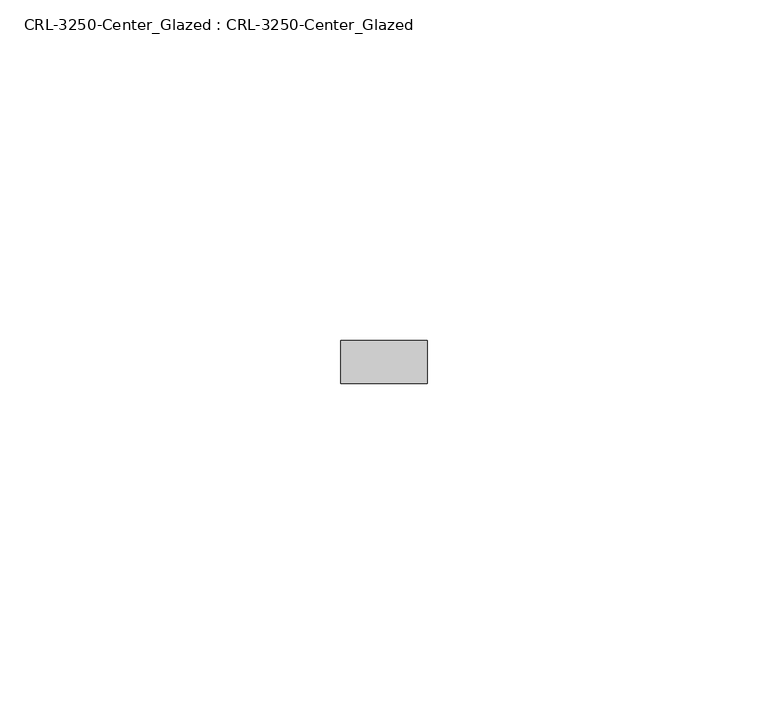
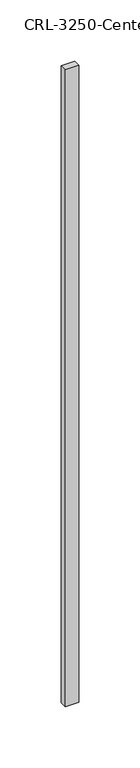
"""IFC4 building model written with IfcOpenShell, lengths in millimetres: plate geometry, CRL-3250-Center_Glazed : CRL-3250-Center_Glazed."""

import ifcopenshell
import ifcopenshell.guid

model = None  # the IFC model being written
_history = None  # IfcOwnerHistory: only IFC2X3 demands one
_inside = {}  # id of a spatial element -> (the spatial element, [elements in it])
_under = {}  # id of a project, library or spatial element -> (it, [spatial elements below it])
_declared = {}  # id of a project -> (the project, [libraries it declares])
_typed = {}  # id of a type object -> (the type object, [elements of that type])
_made_of = {}  # id of a material, layer set ... -> (it, [elements and type objects made of it])


def new_model(schema):
    """Start an empty IFC model of exactly this schema.

    Asked for "IFC4X3", IfcOpenShell would pick the latest addendum, in which some entities
    have other attributes; the version numbers below select the first issue.
    IFC2X3 requires an IfcOwnerHistory on every rooted entity: one is made here for all.
    """
    global model, _history
    if schema == "IFC4X3":
        model = ifcopenshell.file(schema_version=(4, 3, 0, 0))
    else:
        model = ifcopenshell.file(schema=schema)
    _inside.clear()
    _under.clear()
    _declared.clear()
    _typed.clear()
    _made_of.clear()
    _history = None
    if model.schema == "IFC2X3":
        org = make("IfcOrganization", Name="unknown")
        user = make(
            "IfcPersonAndOrganization",
            ThePerson=make("IfcPerson", FamilyName="unknown"),
            TheOrganization=org,
        )
        app = make(
            "IfcApplication",
            ApplicationDeveloper=org,
            Version="unknown",
            ApplicationFullName="unknown",
            ApplicationIdentifier="unknown",
        )
        _history = make(
            "IfcOwnerHistory",
            OwningUser=user,
            OwningApplication=app,
            ChangeAction="ADDED",
            CreationDate=0,
        )
    return model


def make(cls, **values):
    """One entity of the class cls with the attributes given. An attribute that is None is left unset."""
    return model.create_entity(
        cls, **{name: value for name, value in values.items() if value is not None}
    )


def rooted(cls, **values):
    """An entity with a GlobalId (a new one), such as an element, a storey or a relation."""
    return make(cls, GlobalId=ifcopenshell.guid.new(), OwnerHistory=_history, **values)


def si_unit(unit_type, name, prefix=None):
    """IfcSIUnit, for example si_unit("LENGTHUNIT", "METRE", prefix="MILLI")."""
    return make("IfcSIUnit", UnitType=unit_type, Prefix=prefix, Name=name)


def assignment(units):
    """IfcUnitAssignment: the units of a project."""
    return None if units is None else make("IfcUnitAssignment", Units=units)


def point(xyz):
    """IfcCartesianPoint."""
    return None if xyz is None else make("IfcCartesianPoint", Coordinates=xyz)


def direction(xyz):
    """IfcDirection."""
    return None if xyz is None else make("IfcDirection", DirectionRatios=xyz)


def frame(location, z_axis=None, x_axis=None):
    """IfcAxis2Placement3D, a coordinate frame: its origin and axes. An axis left out is left unset."""
    return make(
        "IfcAxis2Placement3D",
        Location=point(location),
        Axis=direction(z_axis),
        RefDirection=direction(x_axis),
    )


def origin():
    """The frame at (0, 0, 0) with its axes left unset."""
    return frame((0.0, 0.0, 0.0))


def origin_with_axes():
    """The frame at (0, 0, 0) with the z axis (0, 0, 1) and the x axis (1, 0, 0) written out."""
    return frame((0.0, 0.0, 0.0), z_axis=(0.0, 0.0, 1.0), x_axis=(1.0, 0.0, 0.0))


def place(relative_to, where):
    """IfcLocalPlacement: puts the frame where relative to a parent placement (None: the world)."""
    return make(
        "IfcLocalPlacement", PlacementRelTo=relative_to, RelativePlacement=where
    )


def context(
    kind, dimensions, precision=None, world=None, true_north=None, identifier=None
):
    """IfcGeometricRepresentationContext, for example the 3D "Model" context."""
    return make(
        "IfcGeometricRepresentationContext",
        ContextIdentifier=identifier,
        ContextType=kind,
        CoordinateSpaceDimension=dimensions,
        Precision=precision,
        WorldCoordinateSystem=world,
        TrueNorth=true_north,
    )


def project(units=None, contexts=None):
    """IfcProject with its units and contexts."""
    return rooted(
        "IfcProject",
        Name="project",
        RepresentationContexts=contexts,
        UnitsInContext=assignment(units),
    )


def spatial(cls, under=None, at=None, **own):
    """A site, building, storey or space (cls), placed at a placement, below another one or the project."""
    s = rooted(cls, ObjectPlacement=at, **own)
    if under is not None:
        _under.setdefault(under.id(), (under, []))[1].append(s)
    return s


def polyline(points):
    """IfcPolyline through the points."""
    return make("IfcPolyline", Points=[point(p) for p in points])


def outline(outer, holes=None, kind="AREA"):
    """IfcArbitraryClosedProfileDef: a profile drawn as a closed curve; with holes, ...WithVoids."""
    if holes is None:
        return make("IfcArbitraryClosedProfileDef", ProfileType=kind, OuterCurve=outer)
    return make(
        "IfcArbitraryProfileDefWithVoids",
        ProfileType=kind,
        OuterCurve=outer,
        InnerCurves=holes,
    )


def extrude(swept, where, along, depth):
    """IfcExtrudedAreaSolid: the profile swept, set in the frame where, extruded along a direction by depth."""
    return make(
        "IfcExtrudedAreaSolid",
        SweptArea=swept,
        Position=where,
        ExtrudedDirection=direction(along),
        Depth=depth,
    )


def shape(context_of_items, identifier, shape_type, items):
    """IfcShapeRepresentation: the items that make up one representation, for example the "Body"."""
    return make(
        "IfcShapeRepresentation",
        ContextOfItems=context_of_items,
        RepresentationIdentifier=identifier,
        RepresentationType=shape_type,
        Items=items,
    )


def source(mapping_origin, context_of_items, identifier, shape_type, items):
    """IfcRepresentationMap: a shape defined once, which mapped items show again and again."""
    return make(
        "IfcRepresentationMap",
        MappingOrigin=mapping_origin,
        MappedRepresentation=shape(context_of_items, identifier, shape_type, items),
    )


def transform(
    local_origin,
    x_axis=None,
    y_axis=None,
    z_axis=None,
    scale=None,
    scale2=None,
    scale3=None,
    uniform=True,
):
    """IfcCartesianTransformationOperator3D, or its non-uniform kind. x_axis, y_axis, z_axis: its Axis1, 2, 3."""
    if uniform:
        return make(
            "IfcCartesianTransformationOperator3D",
            Axis1=direction(x_axis),
            Axis2=direction(y_axis),
            LocalOrigin=point(local_origin),
            Scale=scale,
            Axis3=direction(z_axis),
        )
    return make(
        "IfcCartesianTransformationOperator3DnonUniform",
        Axis1=direction(x_axis),
        Axis2=direction(y_axis),
        LocalOrigin=point(local_origin),
        Scale=scale,
        Axis3=direction(z_axis),
        Scale2=scale2,
        Scale3=scale3,
    )


def mapped(mapping_source, mapping_target):
    """IfcMappedItem: shows the shape of a source again, moved by a transform."""
    return make(
        "IfcMappedItem", MappingSource=mapping_source, MappingTarget=mapping_target
    )


def made_of(thing, what):
    """Note that an element or type object is made of a material, layer set ...; save() writes the relation."""
    if what is not None:
        _made_of.setdefault(what.id(), (what, []))[1].append(thing)
    return thing


def element(
    cls,
    number,
    at=None,
    inside=None,
    cuts=None,
    type_object=None,
    material=None,
    context=None,
    identifier="Body",
    shape_type=None,
    held_by="IfcProductDefinitionShape",
    body=None,
    shapes=None,
    **own,
):
    """One element of the class cls, such as IfcWall. Its Tag is "e" and its number.

    at: its placement. inside: the storey or other place that contains it. cuts: it is an
    opening in that element (IfcRelVoidsElement). A single representation is given by context,
    identifier, shape_type and body (its items); several are given by shapes. held_by: the class
    of the entity that holds the representations. save() writes the other relations.
    """
    e = rooted(cls, Tag="e%d" % number, ObjectPlacement=at, **own)
    if body is not None:
        shapes = [shape(context, identifier, shape_type, body)]
    if shapes is not None:
        e.Representation = make(held_by, Representations=shapes)
    if inside is not None:
        _inside.setdefault(inside.id(), (inside, []))[1].append(e)
    if cuts is not None:
        rooted(
            "IfcRelVoidsElement", RelatingBuildingElement=cuts, RelatedOpeningElement=e
        )
    if type_object is not None:
        _typed.setdefault(type_object.id(), (type_object, []))[1].append(e)
    return made_of(e, material)


def aggregate(whole, parts):
    """IfcRelAggregates: a whole, such as a stair, and the parts it consists of."""
    return rooted("IfcRelAggregates", RelatingObject=whole, RelatedObjects=parts)


def save(model, path):
    """Write the relations noted so far, then the file.

    IfcRelAggregates (storeys below a building ...), IfcRelContainedInSpatialStructure (elements
    in a storey), IfcRelDefinesByType, IfcRelAssociatesMaterial and IfcRelDeclares: one each for
    every whole, place, type object, material and project.
    """
    for whole, parts in _under.values():
        aggregate(whole, parts)
    for where, things in _inside.values():
        rooted(
            "IfcRelContainedInSpatialStructure",
            RelatedElements=things,
            RelatingStructure=where,
        )
    for kind, things in _typed.values():
        rooted("IfcRelDefinesByType", RelatedObjects=things, RelatingType=kind)
    for what, things in _made_of.values():
        rooted("IfcRelAssociatesMaterial", RelatedObjects=things, RelatingMaterial=what)
    for by, libraries in _declared.values():
        rooted("IfcRelDeclares", RelatingContext=by, RelatedDefinitions=libraries)
    model.write(path)


def crl_3250_center_glazed_crl_3250_center_glazed_34b76aa4(model_context):
    return source(origin(), model_context, "Body", "SweptSolid", [
        extrude(outline(polyline([(6.35, -3.1749999), (-6.35, -3.1749999), (-6.35, 3.1749999), (6.35, 3.1749999), (6.35, -3.1749999)])), origin_with_axes(), (0.0, 0.0, 1.0), 635.0),
    ])


if __name__ == "__main__":
    model = new_model("IFC4")
    model_context = context("Model", 3, world=origin())
    ifc_project = project(units=[si_unit("LENGTHUNIT", "METRE", prefix="MILLI")], contexts=[model_context])
    site = spatial("IfcSite", under=ifc_project)
    building = spatial("IfcBuilding", under=site)
    placement = place(None, origin())
    crl_3250_center_glazed_crl_3250_center_glazed_shape = crl_3250_center_glazed_crl_3250_center_glazed_34b76aa4(model_context)
    element("IfcPlate", 1, ObjectType="CRL-3250-Center_Glazed : CRL-3250-Center_Glazed", at=placement, inside=building, context=model_context, shape_type="MappedRepresentation", body=[
        mapped(crl_3250_center_glazed_crl_3250_center_glazed_shape, transform((0.0, 0.0, 0.0), x_axis=(1.0, 0.0, 0.0), y_axis=(0.0, 1.0, 0.0), z_axis=(0.0, 0.0, 1.0))),
    ])
    save(model, "model.ifc")
